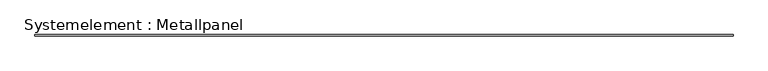
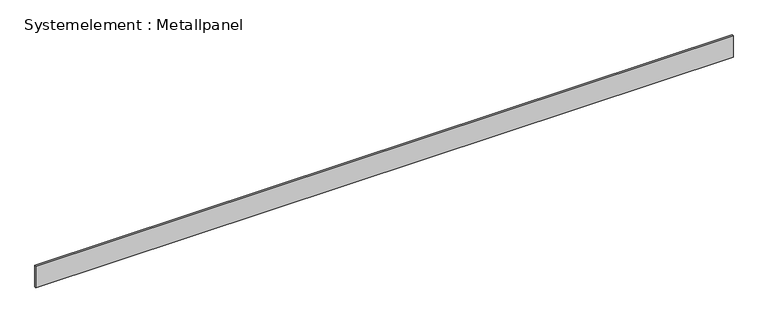
"""IFC4 building model written with IfcOpenShell, lengths in millimetres: plate geometry, Systemelement : Metallpanel."""

from ifc_helpers import new_model, si_unit, origin, origin_with_axes, place, context, project, spatial, polyline, outline, extrude, source, transform, mapped, element, save


def systemelement_metallpanel_38472eed(model_context):
    return source(origin(), model_context, "Body", "SweptSolid", [
        extrude(outline(polyline([(7567.5, -15.0), (-7567.5, -15.0), (-7567.5, 15.0), (7567.5, 15.0), (7567.5, -15.0)])), origin_with_axes(), (0.0, 0.0, 1.0), 495.0),
    ])


if __name__ == "__main__":
    model = new_model("IFC4")
    model_context = context("Model", 3, world=origin())
    ifc_project = project(units=[si_unit("LENGTHUNIT", "METRE", prefix="MILLI")], contexts=[model_context])
    site = spatial("IfcSite", under=ifc_project)
    building = spatial("IfcBuilding", under=site)
    placement = place(None, origin())
    systemelement_metallpanel_shape = systemelement_metallpanel_38472eed(model_context)
    element("IfcPlate", 1, ObjectType="Systemelement : Metallpanel", at=placement, inside=building, context=model_context, shape_type="MappedRepresentation", body=[
        mapped(systemelement_metallpanel_shape, transform((0.0, 0.0, 0.0), x_axis=(1.0, 0.0, 0.0), y_axis=(0.0, 1.0, 0.0), z_axis=(0.0, 0.0, 1.0))),
    ])
    save(model, "model.ifc")
